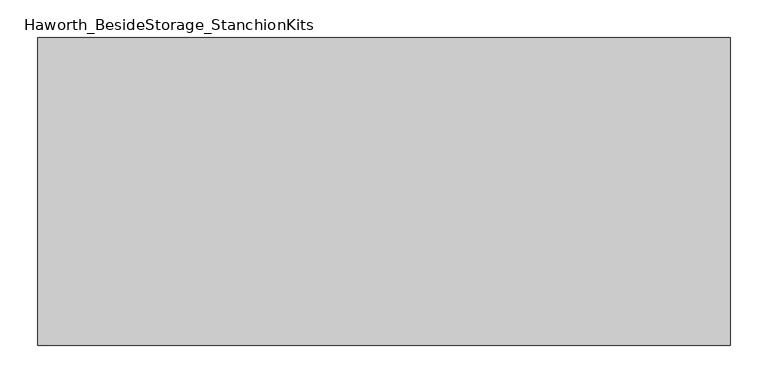
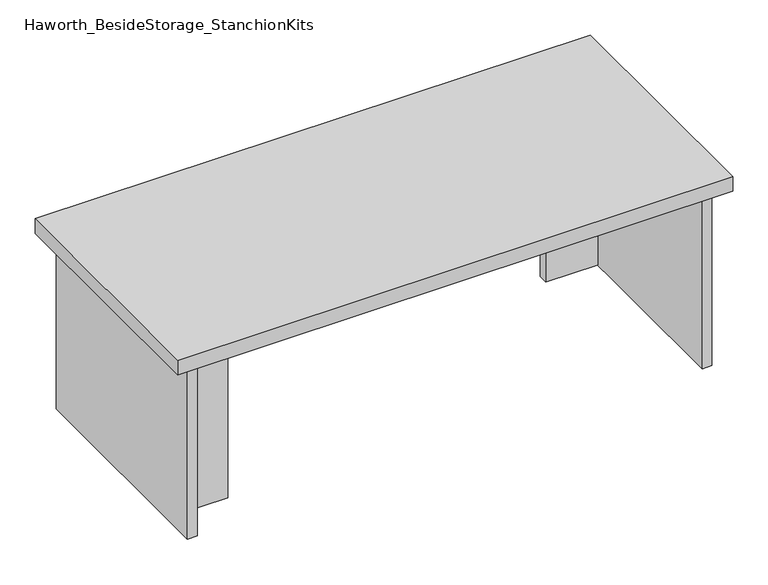
"""IFC4 building model written with IfcOpenShell, lengths in millimetres: furniture geometry, Haworth_BesideStorage_StanchionKits."""

from ifc_helpers import new_model, si_unit, frame, origin, place, context, project, spatial, polyline, outline, extrude, source, transform, mapped, element, save


def haworth_besidestorage_stanchionkits_e10638d1(model_context):
    return source(origin(), model_context, "Body", "SweptSolid", [
        extrude(outline(polyline([(619.125, 0.0), (619.125, -406.4), (-295.275, -406.4), (-295.275, 0.0), (619.125, 0.0)])), frame((0.0, 0.0, 736.6), z_axis=(0.0, 0.0, 1.0), x_axis=(1.0, 0.0, 0.0)), (0.0, 0.0, 1.0), 25.4),
        extrude(outline(polyline([(492.125, -76.2), (577.85, -76.2), (577.85, -92.075), (492.125, -92.075), (492.125, -76.2)])), frame((0.0, 0.0, 431.8), z_axis=(0.0, 0.0, 1.0), x_axis=(1.0, 0.0, 0.0)), (0.0, 0.0, 1.0), 304.8),
        extrude(outline(polyline([(-168.275, -314.325), (-168.275, -330.2), (-254.0, -330.2), (-254.0, -314.325), (-168.275, -314.325)])), frame((0.0, 0.0, 431.8), z_axis=(0.0, 0.0, 1.0), x_axis=(1.0, 0.0, 0.0)), (0.0, 0.0, 1.0), 304.8),
        extrude(outline(polyline([(593.725, -390.525), (577.85, -390.525), (577.85, -15.875), (593.725, -15.875), (593.725, -390.525)])), frame((0.0, 0.0, 431.8), z_axis=(0.0, 0.0, 1.0), x_axis=(1.0, 0.0, 0.0)), (0.0, 0.0, 1.0), 304.8),
        extrude(outline(polyline([(-254.0, -390.525), (-269.875, -390.525), (-269.875, -15.875), (-254.0, -15.875), (-254.0, -390.525)])), frame((0.0, 0.0, 431.8), z_axis=(0.0, 0.0, 1.0), x_axis=(1.0, 0.0, 0.0)), (0.0, 0.0, 1.0), 304.8),
    ])


if __name__ == "__main__":
    model = new_model("IFC4")
    model_context = context("Model", 3, world=origin())
    ifc_project = project(units=[si_unit("LENGTHUNIT", "METRE", prefix="MILLI")], contexts=[model_context])
    site = spatial("IfcSite", under=ifc_project)
    building = spatial("IfcBuilding", under=site)
    placement = place(None, origin())
    haworth_besidestorage_stanchionkits_shape = haworth_besidestorage_stanchionkits_e10638d1(model_context)
    element("IfcFurniture", 1, ObjectType="Haworth_BesideStorage_StanchionKits", at=placement, inside=building, context=model_context, shape_type="MappedRepresentation", body=[
        mapped(haworth_besidestorage_stanchionkits_shape, transform((0.0, 0.0, 0.0), x_axis=(1.0, 0.0, 0.0), y_axis=(0.0, 1.0, 0.0), z_axis=(0.0, 0.0, 1.0))),
    ])
    save(model, "model.ifc")
